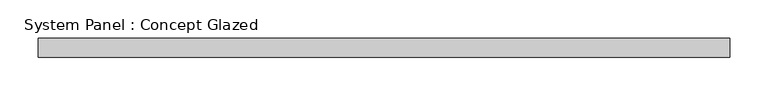
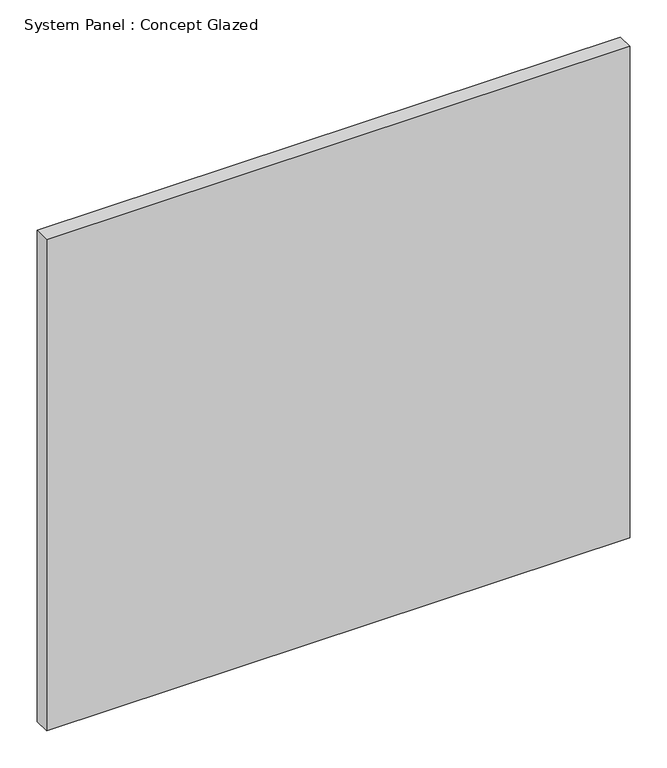
"""IFC4 building model written with IfcOpenShell, lengths in millimetres: plate geometry, System Panel : Concept Glazed."""

from ifc_helpers import new_model, si_unit, origin, origin_with_axes, place, context, project, spatial, polyline, outline, extrude, source, transform, mapped, element, save


def system_panel_concept_glazed_44bd8e4e(model_context):
    return source(origin(), model_context, "Body", "SweptSolid", [
        extrude(outline(polyline([(452.5, 0.0), (-452.5, 0.0), (-452.5, 25.0), (452.5, 25.0), (452.5, 0.0)])), origin_with_axes(), (0.0, 0.0, 1.0), 805.0),
    ])


if __name__ == "__main__":
    model = new_model("IFC4")
    model_context = context("Model", 3, world=origin())
    ifc_project = project(units=[si_unit("LENGTHUNIT", "METRE", prefix="MILLI")], contexts=[model_context])
    site = spatial("IfcSite", under=ifc_project)
    building = spatial("IfcBuilding", under=site)
    placement = place(None, origin())
    system_panel_concept_glazed_shape = system_panel_concept_glazed_44bd8e4e(model_context)
    element("IfcPlate", 1, ObjectType="System Panel : Concept Glazed", at=placement, inside=building, context=model_context, shape_type="MappedRepresentation", body=[
        mapped(system_panel_concept_glazed_shape, transform((0.0, 0.0, 0.0), x_axis=(1.0, 0.0, 0.0), y_axis=(0.0, 1.0, 0.0), z_axis=(0.0, 0.0, 1.0))),
    ])
    save(model, "model.ifc")
